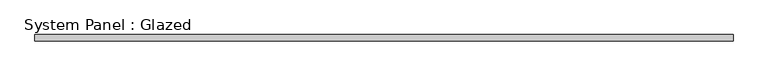
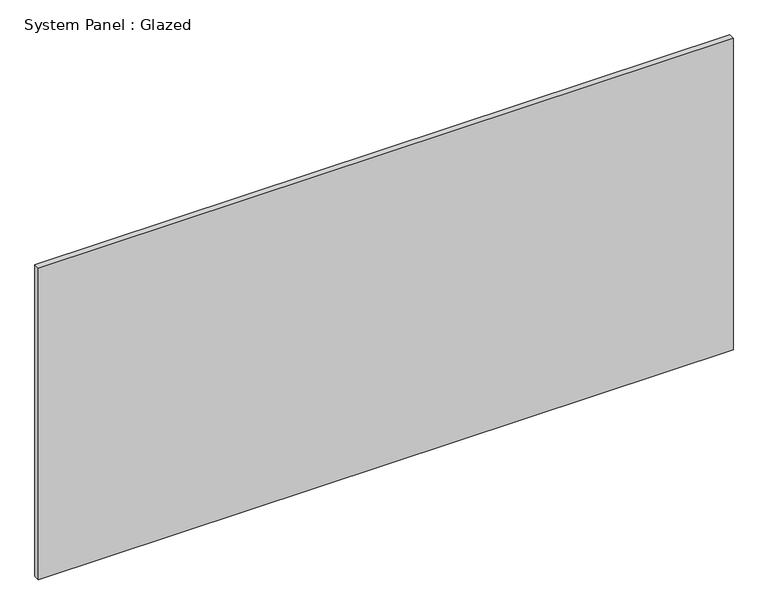
"""IFC4 building model written with IfcOpenShell, lengths in millimetres: plate geometry, System Panel : Glazed."""

from ifc_helpers import new_model, si_unit, origin, origin_with_axes, place, context, project, spatial, polyline, outline, extrude, source, transform, mapped, element, save


def system_panel_glazed_75836e19(model_context):
    return source(origin(), model_context, "Body", "SweptSolid", [
        extrude(outline(polyline([(1425.0, -2.5), (-1425.0, -2.5), (-1425.0, 22.5), (1425.0, 22.5), (1425.0, -2.5)])), origin_with_axes(), (0.0, 0.0, 1.0), 1350.0),
    ])


if __name__ == "__main__":
    model = new_model("IFC4")
    model_context = context("Model", 3, world=origin())
    ifc_project = project(units=[si_unit("LENGTHUNIT", "METRE", prefix="MILLI")], contexts=[model_context])
    site = spatial("IfcSite", under=ifc_project)
    building = spatial("IfcBuilding", under=site)
    placement = place(None, origin())
    system_panel_glazed_shape = system_panel_glazed_75836e19(model_context)
    element("IfcPlate", 1, ObjectType="System Panel : Glazed", at=placement, inside=building, context=model_context, shape_type="MappedRepresentation", body=[
        mapped(system_panel_glazed_shape, transform((0.0, 0.0, 0.0), x_axis=(1.0, 0.0, 0.0), y_axis=(0.0, 1.0, 0.0), z_axis=(0.0, 0.0, 1.0))),
    ])
    save(model, "model.ifc")
